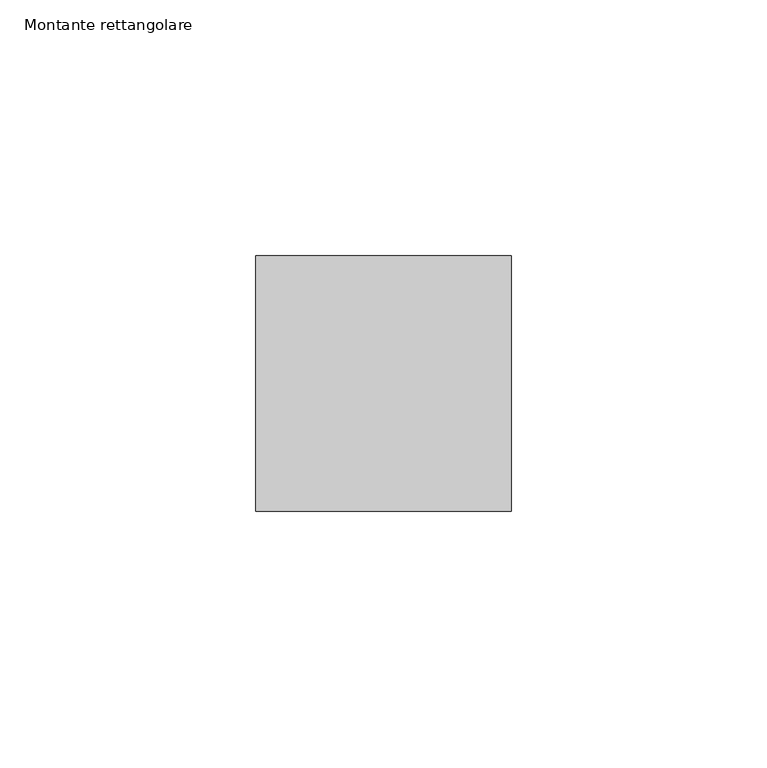
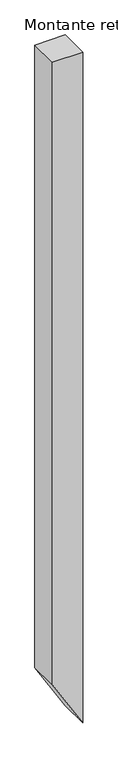
"""IFC4 building model written with IfcOpenShell, lengths in millimetres: member geometry, Montante rettangolare."""

from ifc_helpers import new_model, si_unit, frame, origin, place, context, project, spatial, polyline, outline, extrude, source, transform, mapped, element, save


def montante_rettangolare_baf41bf0(model_context):
    return source(origin(), model_context, "Body", "SweptSolid", [
        extrude(outline(polyline([(0.0, 0.0), (0.0, -50.0), (-1086.1439189, -50.0), (-1170.0196992, 0.0), (0.0, 0.0)])), frame((0.0, -25.0, 0.0), z_axis=(0.0, 1.0, 0.0), x_axis=(0.0, 0.0, 1.0)), (0.0, 0.0, 1.0), 50.0),
    ])


if __name__ == "__main__":
    model = new_model("IFC4")
    model_context = context("Model", 3, world=origin())
    ifc_project = project(units=[si_unit("LENGTHUNIT", "METRE", prefix="MILLI")], contexts=[model_context])
    site = spatial("IfcSite", under=ifc_project)
    building = spatial("IfcBuilding", under=site)
    placement = place(None, origin())
    montante_rettangolare_shape = montante_rettangolare_baf41bf0(model_context)
    element("IfcMember", 1, ObjectType="Montante rettangolare", at=placement, inside=building, context=model_context, shape_type="MappedRepresentation", body=[
        mapped(montante_rettangolare_shape, transform((0.0, 0.0, 0.0), x_axis=(1.0, 0.0, 0.0), y_axis=(0.0, 1.0, 0.0), z_axis=(0.0, 0.0, 1.0))),
    ])
    save(model, "model.ifc")
